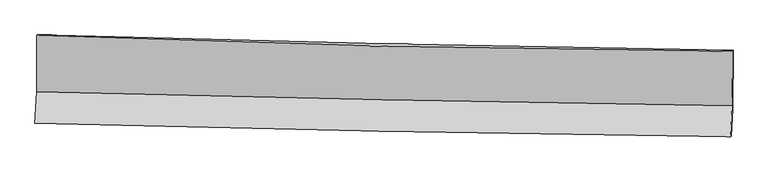
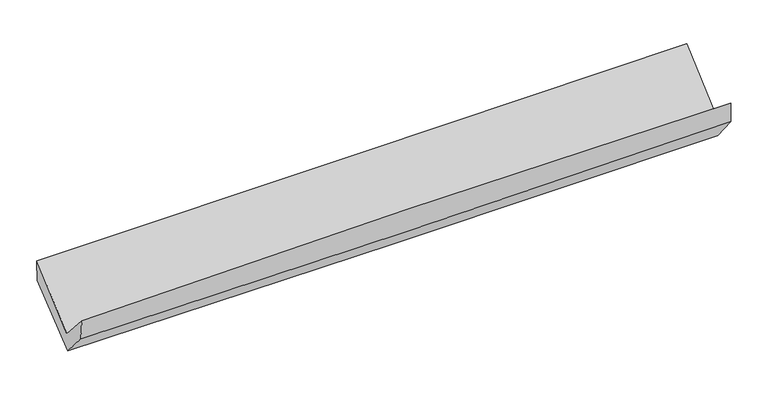
"""IFC4 building model written with IfcOpenShell, lengths in millimetres: proxy geometry."""

from ifc_helpers import new_model, si_unit, frame, origin, place, context, project, spatial, source, transform, mapped, element, save
from ifc_brep_helpers import plane_surface, spline_curve, spline_surface, advanced_brep


def generic_models_677ac05d(model_context):
    return source(origin(), model_context, "Body", "AdvancedBrep", [
        advanced_brep(
        [(-3028.735728, -1166.1328845, 2177.5801259), (-3031.7163195, -1656.3451367, 1747.2386436), (3020.3288192, -1777.8251331, 1888.724823), (3023.057118, -1305.5087822, 2309.5861524), (-3045.7246309, -1928.5576894, 2044.656373), (3006.5778662, -2050.0148001, 2174.9940112), (-3040.6568348, -1905.5124794, 1850.9240144), (3011.1539971, -2044.2638645, 1982.8621974), (-3028.0988281, -1666.2364671, 1578.8700974), (3023.9872785, -1806.3865129, 1697.2585727), (-3023.9514664, -1162.0037112, 1974.5592872), (3028.0542511, -1293.7354942, 2106.0509121)],
        [
            (0, 1),
            (1, 2, spline_curve(3, [(-3031.7163195, -1656.3451367, 1747.2386436), (-2023.462136014, -1683.828136918, 1781.776835464), (-1015.009264027, -1707.69282443, 1810.836304737), (1002.339097574, -1748.186480867, 1857.998856114), (2011.234605051, -1764.815125941, 1876.101446641), (3020.3288192, -1777.8251331, 1888.724823)], [4, 2, 4], [0.0, 9.932648915434164, 19.865743333063776])),
            (2, 3),
            (3, 0, spline_curve(3, [(3023.057118, -1305.5087822, 2309.5861524), (2013.71523969, -1299.274117884, 2299.97993824), (1004.716928115, -1284.541676633, 2284.17594326), (-1012.547323254, -1238.082281849, 2240.173378726), (-2020.813293663, -1206.356090547, 2211.975364764), (-3028.735728, -1166.1328845, 2177.5801259)], [4, 2, 4], [0.0, 9.933094417629611, 19.865743333063776])),
            (1, 4),
            (4, 5, spline_curve(3, [(-3045.7246309, -1928.5576894, 2044.656373), (-2037.749079264, -1957.329176834, 2089.821650159), (-1029.414080562, -1981.836215075, 2123.265777719), (988.020052833, -2022.322301052, 2166.712708807), (1997.119219748, -2038.300966531, 2176.714460321), (3006.5778662, -2050.0148001, 2174.9940112)], [4, 2, 4], [0.0, 9.932890264272588, 19.866226041565675])),
            (5, 2),
            (4, 6),
            (6, 7, spline_curve(3, [(-3040.6568348, -1905.5124794, 1850.9240144), (-2032.086986161, -1935.719464424, 1868.645357329), (-1023.49580256, -1962.385392313, 1888.500583122), (993.774472956, -2008.636171691, 1932.47978614), (2002.453566654, -2028.220705319, 1956.603954847), (3011.1539971, -2044.2638645, 1982.8621974)], [4, 2, 4], [0.0, 9.932530753905969, 19.865507004707567])),
            (7, 5),
            (6, 8),
            (8, 9, spline_curve(3, [(-3028.0988281, -1666.2364671, 1578.8700974), (-2019.573422631, -1696.183054575, 1598.818529979), (-1010.9815226, -1722.835330726, 1618.658233785), (1006.380507254, -1769.552308132, 1658.121068394), (2015.150642522, -1789.616713819, 1677.744190025), (3023.9872785, -1806.3865129, 1697.2585727)], [4, 2, 4], [0.0, 9.932344834550753, 19.865135157658223])),
            (9, 7),
            (8, 10),
            (10, 11, spline_curve(3, [(-3023.9514664, -1162.0037112, 1974.5592872), (-2015.485562282, -1190.174938273, 1999.118560754), (-1006.930112503, -1215.238023799, 2022.355616824), (1010.405118356, -1259.148896931, 2066.186277107), (2019.184907718, -1277.996405735, 2086.77976251), (3028.0542511, -1293.7354942, 2106.0509121)], [4, 2, 4], [0.0, 9.932354949646534, 19.86515538830347])),
            (11, 9),
            (10, 0),
            (3, 11),
        ],
        [
            spline_surface(3, 3, [[(-3028.735728, -1166.1328845, 2177.5801259), (-2020.813293576, -1206.356090579, 2211.975364706), (-1012.54732316, -1238.082281842, 2240.173378606), (1004.716928021, -1284.541676641, 2284.175943381), (2013.715239609, -1299.274117957, 2299.979938295), (3023.057118, -1305.5087822, 2309.5861524)], [(-3029.729258502, -1329.536968574, 2034.132965154), (-2021.696241102, -1365.513439392, 2068.575854979), (-1013.367970143, -1394.619129331, 2097.06102069), (1003.924317888, -1439.089944768, 2142.116914292), (2012.888361452, -1454.45445393, 2158.687107707), (3022.147685055, -1462.947565841, 2169.29904259)], [(-3030.722788998, -1492.941052626, 1890.685804346), (-2022.579188621, -1524.67078818, 1925.17634519), (-1014.188617109, -1551.155976802, 1953.948662713), (1003.131707772, -1593.638212878, 2000.057885142), (2012.06148333, -1609.634789879, 2017.39427715), (3021.238252145, -1620.386349459, 2029.01193281)], [(-3031.7163195, -1656.3451367, 1747.2386436), (-2023.462136148, -1683.828136992, 1781.776835463), (-1015.009264092, -1707.692824291, 1810.836304797), (1002.339097639, -1748.186481005, 1857.998856054), (2011.234605174, -1764.815125852, 1876.101446562), (3020.3288192, -1777.8251331, 1888.724823)]], [4, 4], [4, 2, 4], [0.0, 2.076860218501794], [0.0, 9.932648915434164, 19.865743333063776]),
            spline_surface(3, 3, [[(-3031.7163195, -1656.3451367, 1747.2386436), (-2023.462136148, -1683.828136992, 1781.776835463), (-1015.009264092, -1707.692824291, 1810.836304797), (1002.339097639, -1748.186481005, 1857.998856054), (2011.234605174, -1764.815125852, 1876.101446562), (3020.3288192, -1777.8251331, 1888.724823)], [(-3036.385756624, -1747.082654257, 1846.377886704), (-2028.224450513, -1774.995150254, 1884.45844034), (-1019.810869596, -1799.073954535, 1914.979462472), (997.566082706, -1839.565087713, 1960.903473604), (2006.529476757, -1855.97707272, 1976.305784527), (3015.745168209, -1868.555022085, 1984.147885743)], [(-3041.055193776, -1837.820171843, 1945.517129896), (-2032.986764906, -1866.162163546, 1987.140045303), (-1024.612475083, -1890.455084767, 2019.122620146), (992.79306779, -1930.943694408, 2063.808091153), (2001.824348312, -1947.139019632, 2076.510122463), (3011.161517191, -1959.284911115, 2079.570948457)], [(-3045.7246309, -1928.5576894, 2044.656373), (-2037.749079271, -1957.329176807, 2089.82165018), (-1029.414080587, -1981.836215011, 2123.265777822), (988.020052857, -2022.322301116, 2166.712708704), (1997.119219895, -2038.3009665, 2176.714460427), (3006.5778662, -2050.0148001, 2174.9940112)]], [4, 4], [4, 2, 4], [0.0, 1.3599209754811912], [0.0, 9.932890264272588, 19.866226041565675]),
            spline_surface(3, 3, [[(-3045.7246309, -1928.5576894, 2044.656373), (-2037.749079271, -1957.329176807, 2089.82165018), (-1029.414080587, -1981.836215011, 2123.265777822), (988.020052857, -2022.322301116, 2166.712708704), (1997.119219895, -2038.3009665, 2176.714460427), (3006.5778662, -2050.0148001, 2174.9940112)], [(-3044.035365546, -1920.875952738, 1980.078920158), (-2035.861714889, -1950.125939325, 2016.096219293), (-1027.441321223, -1975.352607448, 2045.01071292), (989.938192864, -2017.760257965, 2088.635067813), (1998.897335453, -2034.940879472, 2103.344291858), (3008.103243153, -2048.097821565, 2110.950073279)], [(-3042.346100154, -1913.194216062, 1915.501467242), (-2033.974350469, -1942.922701828, 1942.370788332), (-1025.468561852, -1968.868999895, 1966.755648075), (991.856332878, -2013.198214823, 2010.557426979), (2000.675451054, -2031.580792447, 2029.974123253), (3009.628620147, -2046.180843035, 2046.906135321)], [(-3040.6568348, -1905.5124794, 1850.9240144), (-2032.086986087, -1935.719464346, 1868.645357445), (-1023.495802489, -1962.385392332, 1888.500583174), (993.774472885, -2008.636171672, 1932.479786088), (2002.453566612, -2028.220705418, 1956.603954684), (3011.1539971, -2044.2638645, 1982.8621974)]], [4, 4], [4, 2, 4], [0.0, 0.7715094069589556], [0.0, 9.932530753905969, 19.865507004707567]),
            spline_surface(3, 3, [[(-3040.6568348, -1905.5124794, 1850.9240144), (-2032.086986087, -1935.719464346, 1868.645357445), (-1023.495802489, -1962.385392332, 1888.500583174), (993.774472885, -2008.636171672, 1932.479786088), (2002.453566612, -2028.220705418, 1956.603954684), (3011.1539971, -2044.2638645, 1982.8621974)], [(-3036.470832585, -1825.753808627, 1760.239375401), (-2027.915798233, -1855.873994411, 1778.703081604), (-1019.324375803, -1882.535371787, 1798.553133345), (997.976484302, -1928.941550497, 1841.02688023), (2006.68592528, -1948.686041602, 1863.650699725), (3015.431757561, -1964.971413973, 1887.660989136)], [(-3032.284830315, -1745.995137873, 1669.554736399), (-2023.744610323, -1776.028524493, 1688.76080576), (-1015.152949143, -1802.685351249, 1708.605683506), (1002.178495694, -1849.246929329, 1749.573974361), (2010.918283964, -1869.151377767, 1770.697444859), (3019.709518039, -1885.678963427, 1792.459780964)], [(-3028.0988281, -1666.2364671, 1578.8700974), (-2019.573422469, -1696.183054558, 1598.818529919), (-1010.981522458, -1722.835330704, 1618.658233677), (1006.380507111, -1769.552308154, 1658.121068503), (2015.150642633, -1789.616713951, 1677.7441899), (3023.9872785, -1806.3865129, 1697.2585727)]], [4, 4], [4, 2, 4], [0.0, 1.1895889181116868], [0.0, 9.932344834550753, 19.865135157658223]),
            spline_surface(3, 3, [[(-3028.0988281, -1666.2364671, 1578.8700974), (-2019.573422469, -1696.183054558, 1598.818529919), (-1010.981522458, -1722.835330704, 1618.658233677), (1006.380507111, -1769.552308154, 1658.121068503), (2015.150642633, -1789.616713951, 1677.7441899), (3023.9872785, -1806.3865129, 1697.2585727)], [(-3026.716374173, -1498.158881796, 1710.766494001), (-2018.210802434, -1527.513682441, 1732.25187353), (-1009.631052525, -1553.636228402, 1753.22402808), (1007.722044223, -1599.417837758, 1794.14280471), (2016.495397715, -1619.076611213, 1814.089380831), (3025.342936033, -1635.502840014, 1833.522685853)], [(-3025.333920327, -1330.081296504, 1842.662890599), (-2016.848182481, -1358.844310338, 1865.685217136), (-1008.28058256, -1384.437126083, 1887.789822444), (1009.063581367, -1429.283367345, 1930.164540877), (2017.840152799, -1448.536508433, 1950.434571704), (3026.698593567, -1464.619167086, 1969.786798947)], [(-3023.9514664, -1162.0037112, 1974.5592872), (-2015.485562447, -1190.174938221, 1999.118560747), (-1006.930112627, -1215.238023781, 2022.355616848), (1010.40511848, -1259.148896949, 2066.186277083), (2019.184907881, -1277.996405695, 2086.779762635), (3028.0542511, -1293.7354942, 2106.0509121)]], [4, 4], [4, 2, 4], [0.0, 2.1359185953546818], [0.0, 9.932354949646534, 19.86515538830347]),
            spline_surface(3, 3, [[(-3023.9514664, -1162.0037112, 1974.5592872), (-2015.485562447, -1190.174938221, 1999.118560747), (-1006.930112627, -1215.238023781, 2022.355616848), (1010.40511848, -1259.148896949, 2066.186277083), (2019.184907881, -1277.996405695, 2086.779762635), (3028.0542511, -1293.7354942, 2106.0509121)], [(-3025.54622027, -1163.380102308, 2042.232900081), (-2017.261472826, -1195.568655682, 2070.070828714), (-1008.802516122, -1222.852776458, 2094.961537415), (1008.509055009, -1267.613156836, 2138.849499164), (2017.361685146, -1285.088976437, 2157.846487855), (3026.388540089, -1297.659923521, 2173.8959922)], [(-3027.14097413, -1164.756493392, 2109.906513019), (-2019.037383197, -1200.962373119, 2141.023096739), (-1010.674919664, -1230.467529165, 2167.567458038), (1006.612991491, -1276.077416754, 2211.5127213), (2015.538462344, -1292.181547215, 2228.913213075), (3024.722829011, -1301.584352879, 2241.7410723)], [(-3028.735728, -1166.1328845, 2177.5801259), (-2020.813293576, -1206.356090579, 2211.975364706), (-1012.54732316, -1238.082281842, 2240.173378606), (1004.716928021, -1284.541676641, 2284.175943381), (2013.715239609, -1299.274117957, 2299.979938295), (3023.057118, -1305.5087822, 2309.5861524)]], [4, 4], [4, 2, 4], [0.0, 0.7195121178208016], [0.0, 9.932507760005242, 19.865461015874786]),
            plane_surface(frame((3018.8598883, -1712.9557645, 2026.5794448), z_axis=(0.999389566361776, -0.026281890165341916, 0.023016448391496372), x_axis=(0.006202516587940244, 0.7818411287752577, 0.6234468527015012))),
            plane_surface(frame((-3033.1473013, -1580.7980614, 1895.6380903), z_axis=(-0.9993895663617762, 0.02628189016537324, -0.023016448391450405), x_axis=(0.023553963118844192, 0.02032882064359507, -0.9995158577394542))),
        ],
        [
            (0, [[1, 2, 3, 4]]),
            (1, [[5, 6, 7, -2]]),
            (2, [[8, 9, 10, -6]]),
            (3, [[11, 12, 13, -9]]),
            (4, [[14, 15, 16, -12]]),
            (5, [[17, -4, 18, -15]]),
            (6, [[-16, -18, -3, -7, -10, -13]]),
            (7, [[-17, -14, -11, -8, -5, -1]]),
        ],
    ),
    ])


if __name__ == "__main__":
    model = new_model("IFC4")
    model_context = context("Model", 3, world=origin())
    ifc_project = project(units=[si_unit("LENGTHUNIT", "METRE", prefix="MILLI")], contexts=[model_context])
    site = spatial("IfcSite", under=ifc_project)
    building = spatial("IfcBuilding", under=site)
    placement = place(None, origin())
    generic_models_shape = generic_models_677ac05d(model_context)
    element("IfcBuildingElementProxy", 1, Name="Generic Models", at=placement, inside=building, context=model_context, shape_type="MappedRepresentation", body=[
        mapped(generic_models_shape, transform((0.0, 0.0, 0.0), x_axis=(1.0, 0.0, 0.0), y_axis=(0.0, 1.0, 0.0), z_axis=(0.0, 0.0, 1.0))),
    ])
    save(model, "model.ifc")
